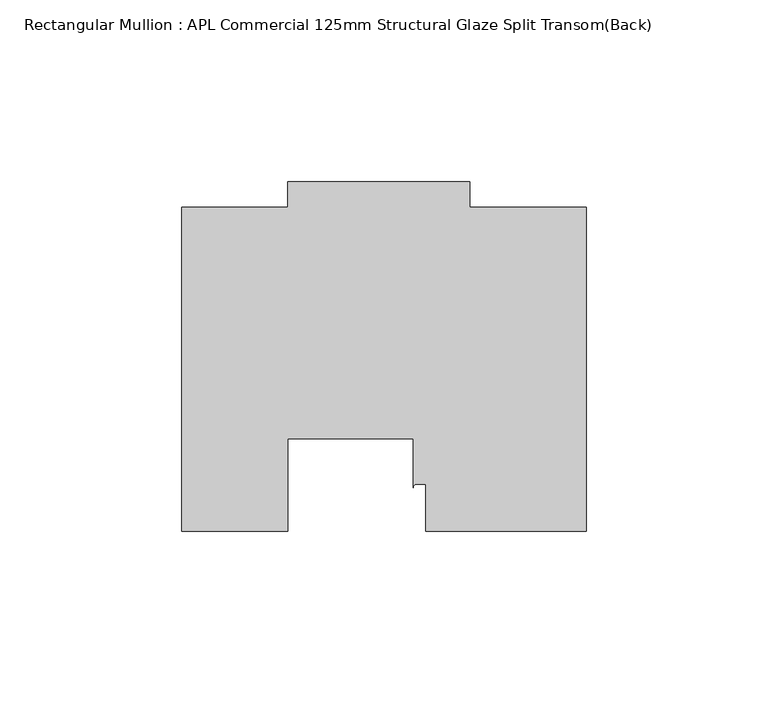
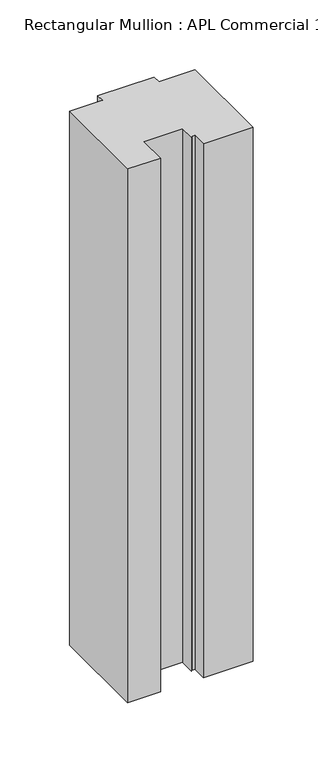
"""IFC4 building model written with IfcOpenShell, lengths in millimetres: member geometry, Rectangular Mullion : APL Commercial 125mm Structural Glaze Split Transom(Back)."""

from ifc_helpers import new_model, si_unit, point, frame, frame_2d, origin, place, context, project, spatial, polyline, circle_curve, trimmed, segment, composite_curve, outline, extrude, source, transform, mapped, element, save


def rectangular_mullion_apl_commercial_125mm_structural_glaze_13f942df(model_context):
    return source(origin(), model_context, "Body", "SweptSolid", [
        extrude(outline(composite_curve([segment(polyline([(54.0000029, 15.0004617), (10.0000029, 15.0004617), (10.0000029, 28.0002131), (7.5000029, 28.0002131)]), True, "CONTINUOUS"), segment(trimmed(circle_curve(frame_2d((7.5000029, 27.0002131)), 1.0), [point((7.5000029, 28.0002131))], [point((6.5000029, 27.0002131))], True, "CARTESIAN"), True, "CONTINUOUS"), segment(polyline([(6.5000029, 27.0002131), (6.5000029, 40.499932), (-28.0000482, 40.499932), (-28.0000482, 15.0001793), (-57.0000004, 15.0001793), (-57.0000004, 103.9999439), (-27.9971154, 103.9999439), (-27.9971154, 111.0), (22.0028846, 111.0), (22.0028846, 104.0), (54.0000029, 104.0), (54.0000029, 15.0004617)]), True, "CONTINUOUS")], self_intersect=False)), frame((0.0, 0.0, -499.5829221), z_axis=(0.0, 0.0, 1.0), x_axis=(1.0, 0.0, 0.0)), (0.0, 0.0, 1.0), 499.5829221),
    ])


if __name__ == "__main__":
    model = new_model("IFC4")
    model_context = context("Model", 3, world=origin())
    ifc_project = project(units=[si_unit("LENGTHUNIT", "METRE", prefix="MILLI")], contexts=[model_context])
    site = spatial("IfcSite", under=ifc_project)
    building = spatial("IfcBuilding", under=site)
    placement = place(None, origin())
    rectangular_mullion_apl_commercial_125mm_structural_glaze_shape = rectangular_mullion_apl_commercial_125mm_structural_glaze_13f942df(model_context)
    element("IfcMember", 1, ObjectType="Rectangular Mullion : APL Commercial 125mm Structural Glaze Split Transom(Back)", at=placement, inside=building, context=model_context, shape_type="MappedRepresentation", body=[
        mapped(rectangular_mullion_apl_commercial_125mm_structural_glaze_shape, transform((0.0, 0.0, 0.0), x_axis=(1.0, 0.0, 0.0), y_axis=(0.0, 1.0, 0.0), z_axis=(0.0, 0.0, 1.0))),
    ])
    save(model, "model.ifc")
